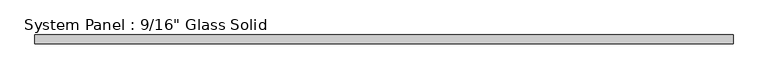
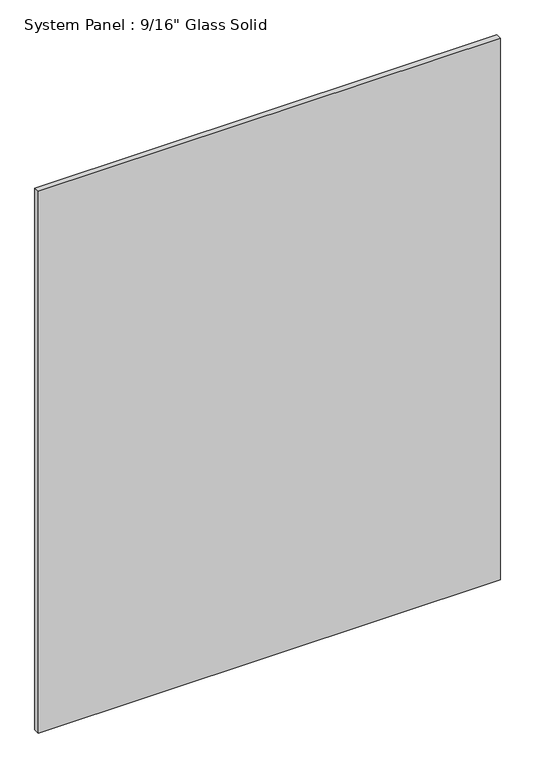
"""IFC4 building model written with IfcOpenShell, lengths in millimetres: plate geometry."""

from ifc_helpers import new_model, si_unit, origin, origin_with_axes, place, context, project, spatial, polyline, outline, extrude, source, transform, mapped, element, save


def plate_a8608cc6(model_context):
    return source(origin(), model_context, "Body", "SweptSolid", [
        extrude(outline(polyline([(577.8508852, -7.14375), (-577.8508852, -7.14375), (-577.8508852, 7.14375), (577.8508852, 7.14375), (577.8508852, -7.14375)])), origin_with_axes(), (0.0, 0.0, 1.0), 1431.8144027),
    ])


if __name__ == "__main__":
    model = new_model("IFC4")
    model_context = context("Model", 3, world=origin())
    ifc_project = project(units=[si_unit("LENGTHUNIT", "METRE", prefix="MILLI")], contexts=[model_context])
    site = spatial("IfcSite", under=ifc_project)
    building = spatial("IfcBuilding", under=site)
    placement = place(None, origin())
    plate_shape = plate_a8608cc6(model_context)
    element("IfcPlate", 1, ObjectType="System Panel : 9/16\" Glass Solid", at=placement, inside=building, context=model_context, shape_type="MappedRepresentation", body=[
        mapped(plate_shape, transform((0.0, 0.0, 0.0), x_axis=(1.0, 0.0, 0.0), y_axis=(0.0, 1.0, 0.0), z_axis=(0.0, 0.0, 1.0))),
    ])
    save(model, "model.ifc")
